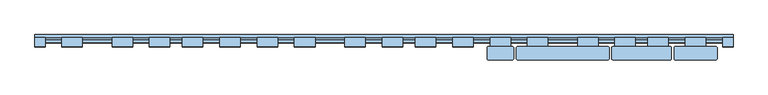
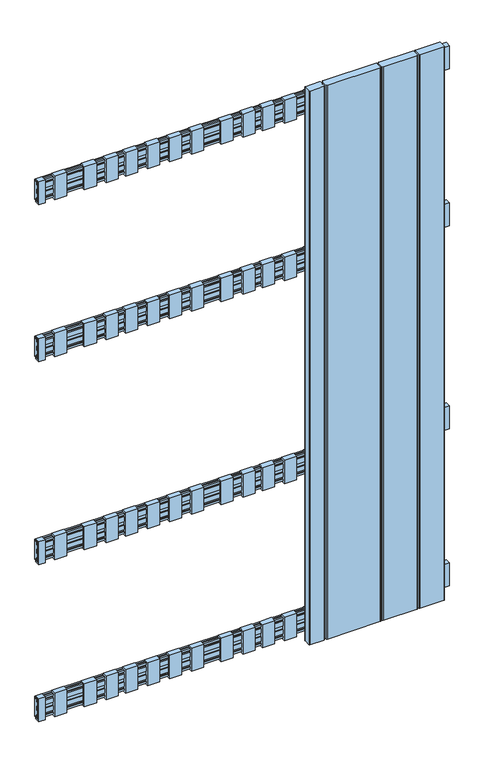
"""IFC4 building model written with IfcOpenShell, lengths in millimetres: window geometry."""

from ifc_helpers import new_model, si_unit, point, frame, frame_2d, origin, place, context, project, spatial, polyline, circle_curve, trimmed, segment, composite_curve, outline, extrude, source, transform, mapped, element, save


def window_74e39e21(model_context):
    return source(origin(), model_context, "Body", "SweptSolid", [
        extrude(outline(polyline([(-24.1, 1152.5936804), (-24.1, 1097.4063196), (-19.9, 1097.4063196), (-19.9, 1101.4063196), (-16.1, 1101.4063196), (-16.1, 1093.5), (-30.0, 1093.5), (-30.0, 1156.5), (-16.1, 1156.5), (-16.1, 1148.5936804), (-19.9, 1148.5936804), (-19.9, 1152.5936804), (-24.1, 1152.5936804)])), frame((454.5, 0.0, 0.0), z_axis=(1.0, 0.0, 0.0), x_axis=(0.0, 1.0, 0.0)), (0.0, 0.0, 1.0), 31.0),
        extrude(outline(polyline([(-24.1, 602.5936804), (-24.1, 547.4063196), (-19.9, 547.4063196), (-19.9, 551.4063196), (-16.1, 551.4063196), (-16.1, 543.5), (-30.0, 543.5), (-30.0, 606.5), (-16.1, 606.5), (-16.1, 598.5936804), (-19.9, 598.5936804), (-19.9, 602.5936804), (-24.1, 602.5936804)])), frame((454.5, 0.0, 0.0), z_axis=(1.0, 0.0, 0.0), x_axis=(0.0, 1.0, 0.0)), (0.0, 0.0, 1.0), 31.0),
        extrude(outline(polyline([(-24.1, 1522.9063196), (-19.9, 1522.9063196), (-19.9, 1526.9063196), (-16.1, 1526.9063196), (-16.1, 1519.0), (-30.0, 1519.0), (-30.0, 1582.0), (-16.1, 1582.0), (-16.1, 1574.0936804), (-19.9, 1574.0936804), (-19.9, 1578.0936804), (-24.1, 1578.0936804), (-24.1, 1522.9063196)])), frame((454.5, 0.0, 0.0), z_axis=(1.0, 0.0, 0.0), x_axis=(0.0, 1.0, 0.0)), (0.0, 0.0, 1.0), 31.0),
        extrude(outline(polyline([(-24.1, 177.0936804), (-24.1, 121.9063196), (-19.9, 121.9063196), (-19.9, 125.9063196), (-16.1, 125.9063196), (-16.1, 118.0), (-30.0, 118.0), (-30.0, 181.0), (-16.1, 181.0), (-16.1, 173.0936804), (-19.9, 173.0936804), (-19.9, 177.0936804), (-24.1, 177.0936804)])), frame((454.5, 0.0, 0.0), z_axis=(1.0, 0.0, 0.0), x_axis=(0.0, 1.0, 0.0)), (0.0, 0.0, 1.0), 31.0),
        extrude(outline(polyline([(-24.1, 1152.5936804), (-24.1, 1097.4063196), (-19.9, 1097.4063196), (-19.9, 1101.4063196), (-16.1, 1101.4063196), (-16.1, 1093.5), (-30.0, 1093.5), (-30.0, 1156.5), (-16.1, 1156.5), (-16.1, 1148.5936804), (-19.9, 1148.5936804), (-19.9, 1152.5936804), (-24.1, 1152.5936804)])), frame((103.5, 0.0, 0.0), z_axis=(1.0, 0.0, 0.0), x_axis=(0.0, 1.0, 0.0)), (0.0, 0.0, 1.0), 31.0),
        extrude(outline(polyline([(-24.1, 602.5936804), (-24.1, 547.4063196), (-19.9, 547.4063196), (-19.9, 551.4063196), (-16.1, 551.4063196), (-16.1, 543.5), (-30.0, 543.5), (-30.0, 606.5), (-16.1, 606.5), (-16.1, 598.5936804), (-19.9, 598.5936804), (-19.9, 602.5936804), (-24.1, 602.5936804)])), frame((103.5, 0.0, 0.0), z_axis=(1.0, 0.0, 0.0), x_axis=(0.0, 1.0, 0.0)), (0.0, 0.0, 1.0), 31.0),
        extrude(outline(polyline([(-24.1, 1522.9063196), (-19.9, 1522.9063196), (-19.9, 1526.9063196), (-16.1, 1526.9063196), (-16.1, 1519.0), (-30.0, 1519.0), (-30.0, 1582.0), (-16.1, 1582.0), (-16.1, 1574.0936804), (-19.9, 1574.0936804), (-19.9, 1578.0936804), (-24.1, 1578.0936804), (-24.1, 1522.9063196)])), frame((103.5, 0.0, 0.0), z_axis=(1.0, 0.0, 0.0), x_axis=(0.0, 1.0, 0.0)), (0.0, 0.0, 1.0), 31.0),
        extrude(outline(polyline([(-24.1, 177.0936804), (-24.1, 121.9063196), (-19.9, 121.9063196), (-19.9, 125.9063196), (-16.1, 125.9063196), (-16.1, 118.0), (-30.0, 118.0), (-30.0, 181.0), (-16.1, 181.0), (-16.1, 173.0936804), (-19.9, 173.0936804), (-19.9, 177.0936804), (-24.1, 177.0936804)])), frame((103.5, 0.0, 0.0), z_axis=(1.0, 0.0, 0.0), x_axis=(0.0, 1.0, 0.0)), (0.0, 0.0, 1.0), 31.0),
        extrude(outline(polyline([(-24.1, 1097.4063196), (-19.9, 1097.4063196), (-19.9, 1101.4063196), (-16.1, 1101.4063196), (-16.1, 1093.5), (-30.0, 1093.5), (-30.0, 1156.5), (-16.1, 1156.5), (-16.1, 1148.5936804), (-19.9, 1148.5936804), (-19.9, 1152.5936804), (-24.1, 1152.5936804), (-24.1, 1097.4063196)])), frame((-247.5, 0.0, 0.0), z_axis=(1.0, 0.0, 0.0), x_axis=(0.0, 1.0, 0.0)), (0.0, 0.0, 1.0), 31.0),
        extrude(outline(polyline([(-24.1, 547.4063196), (-19.9, 547.4063196), (-19.9, 551.4063196), (-16.1, 551.4063196), (-16.1, 543.5), (-30.0, 543.5), (-30.0, 606.5), (-16.1, 606.5), (-16.1, 598.5936804), (-19.9, 598.5936804), (-19.9, 602.5936804), (-24.1, 602.5936804), (-24.1, 547.4063196)])), frame((-247.5, 0.0, 0.0), z_axis=(1.0, 0.0, 0.0), x_axis=(0.0, 1.0, 0.0)), (0.0, 0.0, 1.0), 31.0),
        extrude(outline(polyline([(-24.1, 1522.9063196), (-19.9, 1522.9063196), (-19.9, 1526.9063196), (-16.1, 1526.9063196), (-16.1, 1519.0), (-30.0, 1519.0), (-30.0, 1582.0), (-16.1, 1582.0), (-16.1, 1574.0936804), (-19.9, 1574.0936804), (-19.9, 1578.0936804), (-24.1, 1578.0936804), (-24.1, 1522.9063196)])), frame((-247.5, 0.0, 0.0), z_axis=(1.0, 0.0, 0.0), x_axis=(0.0, 1.0, 0.0)), (0.0, 0.0, 1.0), 31.0),
        extrude(outline(polyline([(-24.1, 177.0936804), (-24.1, 121.9063196), (-19.9, 121.9063196), (-19.9, 125.9063196), (-16.1, 125.9063196), (-16.1, 118.0), (-30.0, 118.0), (-30.0, 181.0), (-16.1, 181.0), (-16.1, 173.0936804), (-19.9, 173.0936804), (-19.9, 177.0936804), (-24.1, 177.0936804)])), frame((-247.5, 0.0, 0.0), z_axis=(1.0, 0.0, 0.0), x_axis=(0.0, 1.0, 0.0)), (0.0, 0.0, 1.0), 31.0),
        extrude(outline(polyline([(-24.1, 1152.5936804), (-24.1, 1097.4063196), (-19.9, 1097.4063196), (-19.9, 1101.4063196), (-16.1, 1101.4063196), (-16.1, 1093.5), (-30.0, 1093.5), (-30.0, 1156.5), (-16.1, 1156.5), (-16.1, 1148.5936804), (-19.9, 1148.5936804), (-19.9, 1152.5936804), (-24.1, 1152.5936804)])), frame((398.0, 0.0, 0.0), z_axis=(1.0, 0.0, 0.0), x_axis=(0.0, 1.0, 0.0)), (0.0, 0.0, 1.0), 31.0),
        extrude(outline(polyline([(-24.1, 602.5936804), (-24.1, 547.4063196), (-19.9, 547.4063196), (-19.9, 551.4063196), (-16.1, 551.4063196), (-16.1, 543.5), (-30.0, 543.5), (-30.0, 606.5), (-16.1, 606.5), (-16.1, 598.5936804), (-19.9, 598.5936804), (-19.9, 602.5936804), (-24.1, 602.5936804)])), frame((398.0, 0.0, 0.0), z_axis=(1.0, 0.0, 0.0), x_axis=(0.0, 1.0, 0.0)), (0.0, 0.0, 1.0), 31.0),
        extrude(outline(polyline([(-24.1, 1522.9063196), (-19.9, 1522.9063196), (-19.9, 1526.9063196), (-16.1, 1526.9063196), (-16.1, 1519.0), (-30.0, 1519.0), (-30.0, 1582.0), (-16.1, 1582.0), (-16.1, 1574.0936804), (-19.9, 1574.0936804), (-19.9, 1578.0936804), (-24.1, 1578.0936804), (-24.1, 1522.9063196)])), frame((398.0, 0.0, 0.0), z_axis=(1.0, 0.0, 0.0), x_axis=(0.0, 1.0, 0.0)), (0.0, 0.0, 1.0), 31.0),
        extrude(outline(polyline([(-24.1, 177.0936804), (-24.1, 121.9063196), (-19.9, 121.9063196), (-19.9, 125.9063196), (-16.1, 125.9063196), (-16.1, 118.0), (-30.0, 118.0), (-30.0, 181.0), (-16.1, 181.0), (-16.1, 173.0936804), (-19.9, 173.0936804), (-19.9, 177.0936804), (-24.1, 177.0936804)])), frame((398.0, 0.0, 0.0), z_axis=(1.0, 0.0, 0.0), x_axis=(0.0, 1.0, 0.0)), (0.0, 0.0, 1.0), 31.0),
        extrude(outline(polyline([(-24.1, 1152.5936804), (-24.1, 1097.4063196), (-19.9, 1097.4063196), (-19.9, 1101.4063196), (-16.1, 1101.4063196), (-16.1, 1093.5), (-30.0, 1093.5), (-30.0, 1156.5), (-16.1, 1156.5), (-16.1, 1148.5936804), (-19.9, 1148.5936804), (-19.9, 1152.5936804), (-24.1, 1152.5936804)])), frame((348.0, 0.0, 0.0), z_axis=(1.0, 0.0, 0.0), x_axis=(0.0, 1.0, 0.0)), (0.0, 0.0, 1.0), 31.0),
        extrude(outline(polyline([(-24.1, 602.5936804), (-24.1, 547.4063196), (-19.9, 547.4063196), (-19.9, 551.4063196), (-16.1, 551.4063196), (-16.1, 543.5), (-30.0, 543.5), (-30.0, 606.5), (-16.1, 606.5), (-16.1, 598.5936804), (-19.9, 598.5936804), (-19.9, 602.5936804), (-24.1, 602.5936804)])), frame((348.0, 0.0, 0.0), z_axis=(1.0, 0.0, 0.0), x_axis=(0.0, 1.0, 0.0)), (0.0, 0.0, 1.0), 31.0),
        extrude(outline(polyline([(-24.1, 1522.9063196), (-19.9, 1522.9063196), (-19.9, 1526.9063196), (-16.1, 1526.9063196), (-16.1, 1519.0), (-30.0, 1519.0), (-30.0, 1582.0), (-16.1, 1582.0), (-16.1, 1574.0936804), (-19.9, 1574.0936804), (-19.9, 1578.0936804), (-24.1, 1578.0936804), (-24.1, 1522.9063196)])), frame((348.0, 0.0, 0.0), z_axis=(1.0, 0.0, 0.0), x_axis=(0.0, 1.0, 0.0)), (0.0, 0.0, 1.0), 31.0),
        extrude(outline(polyline([(-24.1, 177.0936804), (-24.1, 121.9063196), (-19.9, 121.9063196), (-19.9, 125.9063196), (-16.1, 125.9063196), (-16.1, 118.0), (-30.0, 118.0), (-30.0, 181.0), (-16.1, 181.0), (-16.1, 173.0936804), (-19.9, 173.0936804), (-19.9, 177.0936804), (-24.1, 177.0936804)])), frame((348.0, 0.0, 0.0), z_axis=(1.0, 0.0, 0.0), x_axis=(0.0, 1.0, 0.0)), (0.0, 0.0, 1.0), 31.0),
        extrude(outline(polyline([(-24.1, 1152.5936804), (-24.1, 1097.4063196), (-19.9, 1097.4063196), (-19.9, 1101.4063196), (-16.1, 1101.4063196), (-16.1, 1093.5), (-30.0, 1093.5), (-30.0, 1156.5), (-16.1, 1156.5), (-16.1, 1148.5936804), (-19.9, 1148.5936804), (-19.9, 1152.5936804), (-24.1, 1152.5936804)])), frame((292.0, 0.0, 0.0), z_axis=(1.0, 0.0, 0.0), x_axis=(0.0, 1.0, 0.0)), (0.0, 0.0, 1.0), 31.0),
        extrude(outline(polyline([(-24.1, 602.5936804), (-24.1, 547.4063196), (-19.9, 547.4063196), (-19.9, 551.4063196), (-16.1, 551.4063196), (-16.1, 543.5), (-30.0, 543.5), (-30.0, 606.5), (-16.1, 606.5), (-16.1, 598.5936804), (-19.9, 598.5936804), (-19.9, 602.5936804), (-24.1, 602.5936804)])), frame((292.0, 0.0, 0.0), z_axis=(1.0, 0.0, 0.0), x_axis=(0.0, 1.0, 0.0)), (0.0, 0.0, 1.0), 31.0),
        extrude(outline(polyline([(-24.1, 1522.9063196), (-19.9, 1522.9063196), (-19.9, 1526.9063196), (-16.1, 1526.9063196), (-16.1, 1519.0), (-30.0, 1519.0), (-30.0, 1582.0), (-16.1, 1582.0), (-16.1, 1574.0936804), (-19.9, 1574.0936804), (-19.9, 1578.0936804), (-24.1, 1578.0936804), (-24.1, 1522.9063196)])), frame((292.0, 0.0, 0.0), z_axis=(1.0, 0.0, 0.0), x_axis=(0.0, 1.0, 0.0)), (0.0, 0.0, 1.0), 31.0),
        extrude(outline(polyline([(-24.1, 177.0936804), (-24.1, 121.9063196), (-19.9, 121.9063196), (-19.9, 125.9063196), (-16.1, 125.9063196), (-16.1, 118.0), (-30.0, 118.0), (-30.0, 181.0), (-16.1, 181.0), (-16.1, 173.0936804), (-19.9, 173.0936804), (-19.9, 177.0936804), (-24.1, 177.0936804)])), frame((292.0, 0.0, 0.0), z_axis=(1.0, 0.0, 0.0), x_axis=(0.0, 1.0, 0.0)), (0.0, 0.0, 1.0), 31.0),
        extrude(outline(polyline([(-24.1, 1152.5936804), (-24.1, 1097.4063196), (-19.9, 1097.4063196), (-19.9, 1101.4063196), (-16.1, 1101.4063196), (-16.1, 1093.5), (-30.0, 1093.5), (-30.0, 1156.5), (-16.1, 1156.5), (-16.1, 1148.5936804), (-19.9, 1148.5936804), (-19.9, 1152.5936804), (-24.1, 1152.5936804)])), frame((47.0, 0.0, 0.0), z_axis=(1.0, 0.0, 0.0), x_axis=(0.0, 1.0, 0.0)), (0.0, 0.0, 1.0), 31.0),
        extrude(outline(polyline([(-24.1, 602.5936804), (-24.1, 547.4063196), (-19.9, 547.4063196), (-19.9, 551.4063196), (-16.1, 551.4063196), (-16.1, 543.5), (-30.0, 543.5), (-30.0, 606.5), (-16.1, 606.5), (-16.1, 598.5936804), (-19.9, 598.5936804), (-19.9, 602.5936804), (-24.1, 602.5936804)])), frame((47.0, 0.0, 0.0), z_axis=(1.0, 0.0, 0.0), x_axis=(0.0, 1.0, 0.0)), (0.0, 0.0, 1.0), 31.0),
        extrude(outline(polyline([(-24.1, 1522.9063196), (-19.9, 1522.9063196), (-19.9, 1526.9063196), (-16.1, 1526.9063196), (-16.1, 1519.0), (-30.0, 1519.0), (-30.0, 1582.0), (-16.1, 1582.0), (-16.1, 1574.0936804), (-19.9, 1574.0936804), (-19.9, 1578.0936804), (-24.1, 1578.0936804), (-24.1, 1522.9063196)])), frame((47.0, 0.0, 0.0), z_axis=(1.0, 0.0, 0.0), x_axis=(0.0, 1.0, 0.0)), (0.0, 0.0, 1.0), 31.0),
        extrude(outline(polyline([(-24.1, 177.0936804), (-24.1, 121.9063196), (-19.9, 121.9063196), (-19.9, 125.9063196), (-16.1, 125.9063196), (-16.1, 118.0), (-30.0, 118.0), (-30.0, 181.0), (-16.1, 181.0), (-16.1, 173.0936804), (-19.9, 173.0936804), (-19.9, 177.0936804), (-24.1, 177.0936804)])), frame((47.0, 0.0, 0.0), z_axis=(1.0, 0.0, 0.0), x_axis=(0.0, 1.0, 0.0)), (0.0, 0.0, 1.0), 31.0),
        extrude(outline(polyline([(-24.1, 1152.5936804), (-24.1, 1097.4063196), (-19.9, 1097.4063196), (-19.9, 1101.4063196), (-16.1, 1101.4063196), (-16.1, 1093.5), (-30.0, 1093.5), (-30.0, 1156.5), (-16.1, 1156.5), (-16.1, 1148.5936804), (-19.9, 1148.5936804), (-19.9, 1152.5936804), (-24.1, 1152.5936804)])), frame((-3.0, 0.0, 0.0), z_axis=(1.0, 0.0, 0.0), x_axis=(0.0, 1.0, 0.0)), (0.0, 0.0, 1.0), 31.0),
        extrude(outline(polyline([(-24.1, 602.5936804), (-24.1, 547.4063196), (-19.9, 547.4063196), (-19.9, 551.4063196), (-16.1, 551.4063196), (-16.1, 543.5), (-30.0, 543.5), (-30.0, 606.5), (-16.1, 606.5), (-16.1, 598.5936804), (-19.9, 598.5936804), (-19.9, 602.5936804), (-24.1, 602.5936804)])), frame((-3.0, 0.0, 0.0), z_axis=(1.0, 0.0, 0.0), x_axis=(0.0, 1.0, 0.0)), (0.0, 0.0, 1.0), 31.0),
        extrude(outline(polyline([(-24.1, 1522.9063196), (-19.9, 1522.9063196), (-19.9, 1526.9063196), (-16.1, 1526.9063196), (-16.1, 1519.0), (-30.0, 1519.0), (-30.0, 1582.0), (-16.1, 1582.0), (-16.1, 1574.0936804), (-19.9, 1574.0936804), (-19.9, 1578.0936804), (-24.1, 1578.0936804), (-24.1, 1522.9063196)])), frame((-3.0, 0.0, 0.0), z_axis=(1.0, 0.0, 0.0), x_axis=(0.0, 1.0, 0.0)), (0.0, 0.0, 1.0), 31.0),
        extrude(outline(polyline([(-24.1, 177.0936804), (-24.1, 121.9063196), (-19.9, 121.9063196), (-19.9, 125.9063196), (-16.1, 125.9063196), (-16.1, 118.0), (-30.0, 118.0), (-30.0, 181.0), (-16.1, 181.0), (-16.1, 173.0936804), (-19.9, 173.0936804), (-19.9, 177.0936804), (-24.1, 177.0936804)])), frame((-3.0, 0.0, 0.0), z_axis=(1.0, 0.0, 0.0), x_axis=(0.0, 1.0, 0.0)), (0.0, 0.0, 1.0), 31.0),
        extrude(outline(polyline([(-24.1, 1152.5936804), (-24.1, 1097.4063196), (-19.9, 1097.4063196), (-19.9, 1101.4063196), (-16.1, 1101.4063196), (-16.1, 1093.5), (-30.0, 1093.5), (-30.0, 1156.5), (-16.1, 1156.5), (-16.1, 1148.5936804), (-19.9, 1148.5936804), (-19.9, 1152.5936804), (-24.1, 1152.5936804)])), frame((-59.0, 0.0, 0.0), z_axis=(1.0, 0.0, 0.0), x_axis=(0.0, 1.0, 0.0)), (0.0, 0.0, 1.0), 31.0),
        extrude(outline(polyline([(-24.1, 602.5936804), (-24.1, 547.4063196), (-19.9, 547.4063196), (-19.9, 551.4063196), (-16.1, 551.4063196), (-16.1, 543.5), (-30.0, 543.5), (-30.0, 606.5), (-16.1, 606.5), (-16.1, 598.5936804), (-19.9, 598.5936804), (-19.9, 602.5936804), (-24.1, 602.5936804)])), frame((-59.0, 0.0, 0.0), z_axis=(1.0, 0.0, 0.0), x_axis=(0.0, 1.0, 0.0)), (0.0, 0.0, 1.0), 31.0),
        extrude(outline(polyline([(-24.1, 1522.9063196), (-19.9, 1522.9063196), (-19.9, 1526.9063196), (-16.1, 1526.9063196), (-16.1, 1519.0), (-30.0, 1519.0), (-30.0, 1582.0), (-16.1, 1582.0), (-16.1, 1574.0936804), (-19.9, 1574.0936804), (-19.9, 1578.0936804), (-24.1, 1578.0936804), (-24.1, 1522.9063196)])), frame((-59.0, 0.0, 0.0), z_axis=(1.0, 0.0, 0.0), x_axis=(0.0, 1.0, 0.0)), (0.0, 0.0, 1.0), 31.0),
        extrude(outline(polyline([(-24.1, 177.0936804), (-24.1, 121.9063196), (-19.9, 121.9063196), (-19.9, 125.9063196), (-16.1, 125.9063196), (-16.1, 118.0), (-30.0, 118.0), (-30.0, 181.0), (-16.1, 181.0), (-16.1, 173.0936804), (-19.9, 173.0936804), (-19.9, 177.0936804), (-24.1, 177.0936804)])), frame((-59.0, 0.0, 0.0), z_axis=(1.0, 0.0, 0.0), x_axis=(0.0, 1.0, 0.0)), (0.0, 0.0, 1.0), 31.0),
        extrude(outline(polyline([(-24.1, 1097.4063196), (-19.9, 1097.4063196), (-19.9, 1101.4063196), (-16.1, 1101.4063196), (-16.1, 1093.5), (-30.0, 1093.5), (-30.0, 1156.5), (-16.1, 1156.5), (-16.1, 1148.5936804), (-19.9, 1148.5936804), (-19.9, 1152.5936804), (-24.1, 1152.5936804), (-24.1, 1097.4063196)])), frame((-304.0, 0.0, 0.0), z_axis=(1.0, 0.0, 0.0), x_axis=(0.0, 1.0, 0.0)), (0.0, 0.0, 1.0), 31.0),
        extrude(outline(polyline([(-24.1, 547.4063196), (-19.9, 547.4063196), (-19.9, 551.4063196), (-16.1, 551.4063196), (-16.1, 543.5), (-30.0, 543.5), (-30.0, 606.5), (-16.1, 606.5), (-16.1, 598.5936804), (-19.9, 598.5936804), (-19.9, 602.5936804), (-24.1, 602.5936804), (-24.1, 547.4063196)])), frame((-304.0, 0.0, 0.0), z_axis=(1.0, 0.0, 0.0), x_axis=(0.0, 1.0, 0.0)), (0.0, 0.0, 1.0), 31.0),
        extrude(outline(polyline([(-24.1, 1522.9063196), (-19.9, 1522.9063196), (-19.9, 1526.9063196), (-16.1, 1526.9063196), (-16.1, 1519.0), (-30.0, 1519.0), (-30.0, 1582.0), (-16.1, 1582.0), (-16.1, 1574.0936804), (-19.9, 1574.0936804), (-19.9, 1578.0936804), (-24.1, 1578.0936804), (-24.1, 1522.9063196)])), frame((-304.0, 0.0, 0.0), z_axis=(1.0, 0.0, 0.0), x_axis=(0.0, 1.0, 0.0)), (0.0, 0.0, 1.0), 31.0),
        extrude(outline(polyline([(-24.1, 177.0936804), (-24.1, 121.9063196), (-19.9, 121.9063196), (-19.9, 125.9063196), (-16.1, 125.9063196), (-16.1, 118.0), (-30.0, 118.0), (-30.0, 181.0), (-16.1, 181.0), (-16.1, 173.0936804), (-19.9, 173.0936804), (-19.9, 177.0936804), (-24.1, 177.0936804)])), frame((-304.0, 0.0, 0.0), z_axis=(1.0, 0.0, 0.0), x_axis=(0.0, 1.0, 0.0)), (0.0, 0.0, 1.0), 31.0),
        extrude(outline(polyline([(-24.1, 1097.4063196), (-19.9, 1097.4063196), (-19.9, 1101.4063196), (-16.1, 1101.4063196), (-16.1, 1093.5), (-30.0, 1093.5), (-30.0, 1156.5), (-16.1, 1156.5), (-16.1, 1148.5936804), (-19.9, 1148.5936804), (-19.9, 1152.5936804), (-24.1, 1152.5936804), (-24.1, 1097.4063196)])), frame((-354.0, 0.0, 0.0), z_axis=(1.0, 0.0, 0.0), x_axis=(0.0, 1.0, 0.0)), (0.0, 0.0, 1.0), 31.0),
        extrude(outline(polyline([(-24.1, 547.4063196), (-19.9, 547.4063196), (-19.9, 551.4063196), (-16.1, 551.4063196), (-16.1, 543.5), (-30.0, 543.5), (-30.0, 606.5), (-16.1, 606.5), (-16.1, 598.5936804), (-19.9, 598.5936804), (-19.9, 602.5936804), (-24.1, 602.5936804), (-24.1, 547.4063196)])), frame((-354.0, 0.0, 0.0), z_axis=(1.0, 0.0, 0.0), x_axis=(0.0, 1.0, 0.0)), (0.0, 0.0, 1.0), 31.0),
        extrude(outline(polyline([(-24.1, 1522.9063196), (-19.9, 1522.9063196), (-19.9, 1526.9063196), (-16.1, 1526.9063196), (-16.1, 1519.0), (-30.0, 1519.0), (-30.0, 1582.0), (-16.1, 1582.0), (-16.1, 1574.0936804), (-19.9, 1574.0936804), (-19.9, 1578.0936804), (-24.1, 1578.0936804), (-24.1, 1522.9063196)])), frame((-354.0, 0.0, 0.0), z_axis=(1.0, 0.0, 0.0), x_axis=(0.0, 1.0, 0.0)), (0.0, 0.0, 1.0), 31.0),
        extrude(outline(polyline([(-24.1, 177.0936804), (-24.1, 121.9063196), (-19.9, 121.9063196), (-19.9, 125.9063196), (-16.1, 125.9063196), (-16.1, 118.0), (-30.0, 118.0), (-30.0, 181.0), (-16.1, 181.0), (-16.1, 173.0936804), (-19.9, 173.0936804), (-19.9, 177.0936804), (-24.1, 177.0936804)])), frame((-354.0, 0.0, 0.0), z_axis=(1.0, 0.0, 0.0), x_axis=(0.0, 1.0, 0.0)), (0.0, 0.0, 1.0), 31.0),
        extrude(outline(polyline([(-24.1, 1097.4063196), (-19.9, 1097.4063196), (-19.9, 1101.4063196), (-16.1, 1101.4063196), (-16.1, 1093.5), (-30.0, 1093.5), (-30.0, 1156.5), (-16.1, 1156.5), (-16.1, 1148.5936804), (-19.9, 1148.5936804), (-19.9, 1152.5936804), (-24.1, 1152.5936804), (-24.1, 1097.4063196)])), frame((-410.0, 0.0, 0.0), z_axis=(1.0, 0.0, 0.0), x_axis=(0.0, 1.0, 0.0)), (0.0, 0.0, 1.0), 31.0),
        extrude(outline(polyline([(-24.1, 547.4063196), (-19.9, 547.4063196), (-19.9, 551.4063196), (-16.1, 551.4063196), (-16.1, 543.5), (-30.0, 543.5), (-30.0, 606.5), (-16.1, 606.5), (-16.1, 598.5936804), (-19.9, 598.5936804), (-19.9, 602.5936804), (-24.1, 602.5936804), (-24.1, 547.4063196)])), frame((-410.0, 0.0, 0.0), z_axis=(1.0, 0.0, 0.0), x_axis=(0.0, 1.0, 0.0)), (0.0, 0.0, 1.0), 31.0),
        extrude(outline(polyline([(-24.1, 1522.9063196), (-19.9, 1522.9063196), (-19.9, 1526.9063196), (-16.1, 1526.9063196), (-16.1, 1519.0), (-30.0, 1519.0), (-30.0, 1582.0), (-16.1, 1582.0), (-16.1, 1574.0936804), (-19.9, 1574.0936804), (-19.9, 1578.0936804), (-24.1, 1578.0936804), (-24.1, 1522.9063196)])), frame((-410.0, 0.0, 0.0), z_axis=(1.0, 0.0, 0.0), x_axis=(0.0, 1.0, 0.0)), (0.0, 0.0, 1.0), 31.0),
        extrude(outline(polyline([(-24.1, 177.0936804), (-24.1, 121.9063196), (-19.9, 121.9063196), (-19.9, 125.9063196), (-16.1, 125.9063196), (-16.1, 118.0), (-30.0, 118.0), (-30.0, 181.0), (-16.1, 181.0), (-16.1, 173.0936804), (-19.9, 173.0936804), (-19.9, 177.0936804), (-24.1, 177.0936804)])), frame((-410.0, 0.0, 0.0), z_axis=(1.0, 0.0, 0.0), x_axis=(0.0, 1.0, 0.0)), (0.0, 0.0, 1.0), 31.0),
        extrude(outline(polyline([(-24.1, 1097.4063196), (-19.9, 1097.4063196), (-19.9, 1101.4063196), (-16.1, 1101.4063196), (-16.1, 1093.5), (-30.0, 1093.5), (-30.0, 1156.5), (-16.1, 1156.5), (-16.1, 1148.5936804), (-19.9, 1148.5936804), (-19.9, 1152.5936804), (-24.1, 1152.5936804), (-24.1, 1097.4063196)])), frame((-486.0, 0.0, 0.0), z_axis=(1.0, 0.0, 0.0), x_axis=(0.0, 1.0, 0.0)), (0.0, 0.0, 1.0), 31.0),
        extrude(outline(polyline([(-24.1, 547.4063196), (-19.9, 547.4063196), (-19.9, 551.4063196), (-16.1, 551.4063196), (-16.1, 543.5), (-30.0, 543.5), (-30.0, 606.5), (-16.1, 606.5), (-16.1, 598.5936804), (-19.9, 598.5936804), (-19.9, 602.5936804), (-24.1, 602.5936804), (-24.1, 547.4063196)])), frame((-486.0, 0.0, 0.0), z_axis=(1.0, 0.0, 0.0), x_axis=(0.0, 1.0, 0.0)), (0.0, 0.0, 1.0), 31.0),
        extrude(outline(polyline([(-24.1, 1522.9063196), (-19.9, 1522.9063196), (-19.9, 1526.9063196), (-16.1, 1526.9063196), (-16.1, 1519.0), (-30.0, 1519.0), (-30.0, 1582.0), (-16.1, 1582.0), (-16.1, 1574.0936804), (-19.9, 1574.0936804), (-19.9, 1578.0936804), (-24.1, 1578.0936804), (-24.1, 1522.9063196)])), frame((-486.0, 0.0, 0.0), z_axis=(1.0, 0.0, 0.0), x_axis=(0.0, 1.0, 0.0)), (0.0, 0.0, 1.0), 31.0),
        extrude(outline(polyline([(-24.1, 177.0936804), (-24.1, 121.9063196), (-19.9, 121.9063196), (-19.9, 125.9063196), (-16.1, 125.9063196), (-16.1, 118.0), (-30.0, 118.0), (-30.0, 181.0), (-16.1, 181.0), (-16.1, 173.0936804), (-19.9, 173.0936804), (-19.9, 177.0936804), (-24.1, 177.0936804)])), frame((-486.0, 0.0, 0.0), z_axis=(1.0, 0.0, 0.0), x_axis=(0.0, 1.0, 0.0)), (0.0, 0.0, 1.0), 31.0),
        extrude(outline(polyline([(-24.1, 1152.5936804), (-24.1, 1097.4063196), (-19.9, 1097.4063196), (-19.9, 1101.4063196), (-16.1, 1101.4063196), (-16.1, 1093.5), (-30.0, 1093.5), (-30.0, 1156.5), (-16.1, 1156.5), (-16.1, 1148.5936804), (-19.9, 1148.5936804), (-19.9, 1152.5936804), (-24.1, 1152.5936804)])), frame((160.0, 0.0, 0.0), z_axis=(1.0, 0.0, 0.0), x_axis=(0.0, 1.0, 0.0)), (0.0, 0.0, 1.0), 31.0),
        extrude(outline(polyline([(-24.1, 602.5936804), (-24.1, 547.4063196), (-19.9, 547.4063196), (-19.9, 551.4063196), (-16.1, 551.4063196), (-16.1, 543.5), (-30.0, 543.5), (-30.0, 606.5), (-16.1, 606.5), (-16.1, 598.5936804), (-19.9, 598.5936804), (-19.9, 602.5936804), (-24.1, 602.5936804)])), frame((160.0, 0.0, 0.0), z_axis=(1.0, 0.0, 0.0), x_axis=(0.0, 1.0, 0.0)), (0.0, 0.0, 1.0), 31.0),
        extrude(outline(polyline([(-24.1, 1522.9063196), (-19.9, 1522.9063196), (-19.9, 1526.9063196), (-16.1, 1526.9063196), (-16.1, 1519.0), (-30.0, 1519.0), (-30.0, 1582.0), (-16.1, 1582.0), (-16.1, 1574.0936804), (-19.9, 1574.0936804), (-19.9, 1578.0936804), (-24.1, 1578.0936804), (-24.1, 1522.9063196)])), frame((160.0, 0.0, 0.0), z_axis=(1.0, 0.0, 0.0), x_axis=(0.0, 1.0, 0.0)), (0.0, 0.0, 1.0), 31.0),
        extrude(outline(polyline([(-24.1, 177.0936804), (-24.1, 121.9063196), (-19.9, 121.9063196), (-19.9, 125.9063196), (-16.1, 125.9063196), (-16.1, 118.0), (-30.0, 118.0), (-30.0, 181.0), (-16.1, 181.0), (-16.1, 173.0936804), (-19.9, 173.0936804), (-19.9, 177.0936804), (-24.1, 177.0936804)])), frame((160.0, 0.0, 0.0), z_axis=(1.0, 0.0, 0.0), x_axis=(0.0, 1.0, 0.0)), (0.0, 0.0, 1.0), 31.0),
        extrude(outline(polyline([(-24.1, 1152.5936804), (-24.1, 1097.4063196), (-19.9, 1097.4063196), (-19.9, 1101.4063196), (-16.1, 1101.4063196), (-16.1, 1093.5), (-30.0, 1093.5), (-30.0, 1156.5), (-16.1, 1156.5), (-16.1, 1148.5936804), (-19.9, 1148.5936804), (-19.9, 1152.5936804), (-24.1, 1152.5936804)])), frame((-191.0, 0.0, 0.0), z_axis=(1.0, 0.0, 0.0), x_axis=(0.0, 1.0, 0.0)), (0.0, 0.0, 1.0), 31.0),
        extrude(outline(polyline([(-24.1, 602.5936804), (-24.1, 547.4063196), (-19.9, 547.4063196), (-19.9, 551.4063196), (-16.1, 551.4063196), (-16.1, 543.5), (-30.0, 543.5), (-30.0, 606.5), (-16.1, 606.5), (-16.1, 598.5936804), (-19.9, 598.5936804), (-19.9, 602.5936804), (-24.1, 602.5936804)])), frame((-191.0, 0.0, 0.0), z_axis=(1.0, 0.0, 0.0), x_axis=(0.0, 1.0, 0.0)), (0.0, 0.0, 1.0), 31.0),
        extrude(outline(polyline([(-24.1, 1522.9063196), (-19.9, 1522.9063196), (-19.9, 1526.9063196), (-16.1, 1526.9063196), (-16.1, 1519.0), (-30.0, 1519.0), (-30.0, 1582.0), (-16.1, 1582.0), (-16.1, 1574.0936804), (-19.9, 1574.0936804), (-19.9, 1578.0936804), (-24.1, 1578.0936804), (-24.1, 1522.9063196)])), frame((-191.0, 0.0, 0.0), z_axis=(1.0, 0.0, 0.0), x_axis=(0.0, 1.0, 0.0)), (0.0, 0.0, 1.0), 31.0),
        extrude(outline(polyline([(-24.1, 177.0936804), (-24.1, 121.9063196), (-19.9, 121.9063196), (-19.9, 125.9063196), (-16.1, 125.9063196), (-16.1, 118.0), (-30.0, 118.0), (-30.0, 181.0), (-16.1, 181.0), (-16.1, 173.0936804), (-19.9, 173.0936804), (-19.9, 177.0936804), (-24.1, 177.0936804)])), frame((-191.0, 0.0, 0.0), z_axis=(1.0, 0.0, 0.0), x_axis=(0.0, 1.0, 0.0)), (0.0, 0.0, 1.0), 31.0),
        extrude(outline(polyline([(-24.1, 1152.5936804), (-24.1, 1097.4063196), (-19.9, 1097.4063196), (-19.9, 1101.4063196), (-16.1, 1101.4063196), (-16.1, 1093.5), (-30.0, 1093.5), (-30.0, 1156.5), (-16.1, 1156.5), (-16.1, 1148.5936804), (-19.9, 1148.5936804), (-19.9, 1152.5936804), (-24.1, 1152.5936804)])), frame((216.0, 0.0, 0.0), z_axis=(1.0, 0.0, 0.0), x_axis=(0.0, 1.0, 0.0)), (0.0, 0.0, 1.0), 31.0),
        extrude(outline(polyline([(-24.1, 602.5936804), (-24.1, 547.4063196), (-19.9, 547.4063196), (-19.9, 551.4063196), (-16.1, 551.4063196), (-16.1, 543.5), (-30.0, 543.5), (-30.0, 606.5), (-16.1, 606.5), (-16.1, 598.5936804), (-19.9, 598.5936804), (-19.9, 602.5936804), (-24.1, 602.5936804)])), frame((216.0, 0.0, 0.0), z_axis=(1.0, 0.0, 0.0), x_axis=(0.0, 1.0, 0.0)), (0.0, 0.0, 1.0), 31.0),
        extrude(outline(polyline([(-24.1, 1522.9063196), (-19.9, 1522.9063196), (-19.9, 1526.9063196), (-16.1, 1526.9063196), (-16.1, 1519.0), (-30.0, 1519.0), (-30.0, 1582.0), (-16.1, 1582.0), (-16.1, 1574.0936804), (-19.9, 1574.0936804), (-19.9, 1578.0936804), (-24.1, 1578.0936804), (-24.1, 1522.9063196)])), frame((216.0, 0.0, 0.0), z_axis=(1.0, 0.0, 0.0), x_axis=(0.0, 1.0, 0.0)), (0.0, 0.0, 1.0), 31.0),
        extrude(outline(polyline([(-24.1, 177.0936804), (-24.1, 121.9063196), (-19.9, 121.9063196), (-19.9, 125.9063196), (-16.1, 125.9063196), (-16.1, 118.0), (-30.0, 118.0), (-30.0, 181.0), (-16.1, 181.0), (-16.1, 173.0936804), (-19.9, 173.0936804), (-19.9, 177.0936804), (-24.1, 177.0936804)])), frame((216.0, 0.0, 0.0), z_axis=(1.0, 0.0, 0.0), x_axis=(0.0, 1.0, 0.0)), (0.0, 0.0, 1.0), 31.0),
        extrude(outline(polyline([(-24.1, 1152.5936804), (-24.1, 1097.4063196), (-19.9, 1097.4063196), (-19.9, 1101.4063196), (-16.1, 1101.4063196), (-16.1, 1093.5), (-30.0, 1093.5), (-30.0, 1156.5), (-16.1, 1156.5), (-16.1, 1148.5936804), (-19.9, 1148.5936804), (-19.9, 1152.5936804), (-24.1, 1152.5936804)])), frame((-135.0, 0.0, 0.0), z_axis=(1.0, 0.0, 0.0), x_axis=(0.0, 1.0, 0.0)), (0.0, 0.0, 1.0), 31.0),
        extrude(outline(polyline([(-24.1, 602.5936804), (-24.1, 547.4063196), (-19.9, 547.4063196), (-19.9, 551.4063196), (-16.1, 551.4063196), (-16.1, 543.5), (-30.0, 543.5), (-30.0, 606.5), (-16.1, 606.5), (-16.1, 598.5936804), (-19.9, 598.5936804), (-19.9, 602.5936804), (-24.1, 602.5936804)])), frame((-135.0, 0.0, 0.0), z_axis=(1.0, 0.0, 0.0), x_axis=(0.0, 1.0, 0.0)), (0.0, 0.0, 1.0), 31.0),
        extrude(outline(polyline([(-24.1, 1522.9063196), (-19.9, 1522.9063196), (-19.9, 1526.9063196), (-16.1, 1526.9063196), (-16.1, 1519.0), (-30.0, 1519.0), (-30.0, 1582.0), (-16.1, 1582.0), (-16.1, 1574.0936804), (-19.9, 1574.0936804), (-19.9, 1578.0936804), (-24.1, 1578.0936804), (-24.1, 1522.9063196)])), frame((-135.0, 0.0, 0.0), z_axis=(1.0, 0.0, 0.0), x_axis=(0.0, 1.0, 0.0)), (0.0, 0.0, 1.0), 31.0),
        extrude(outline(polyline([(-24.1, 177.0936804), (-24.1, 121.9063196), (-19.9, 121.9063196), (-19.9, 125.9063196), (-16.1, 125.9063196), (-16.1, 118.0), (-30.0, 118.0), (-30.0, 181.0), (-16.1, 181.0), (-16.1, 173.0936804), (-19.9, 173.0936804), (-19.9, 177.0936804), (-24.1, 177.0936804)])), frame((-135.0, 0.0, 0.0), z_axis=(1.0, 0.0, 0.0), x_axis=(0.0, 1.0, 0.0)), (0.0, 0.0, 1.0), 31.0),
        extrude(outline(polyline([(-24.1, 1097.4063196), (-19.9, 1097.4063196), (-19.9, 1101.4063196), (-16.1, 1101.4063196), (-16.1, 1093.5), (-30.0, 1093.5), (-30.0, 1156.5), (-16.1, 1156.5), (-16.1, 1148.5936804), (-19.9, 1148.5936804), (-19.9, 1152.5936804), (-24.1, 1152.5936804), (-24.1, 1097.4063196)])), frame((511.0, 0.0, 0.0), z_axis=(1.0, 0.0, 0.0), x_axis=(0.0, 1.0, 0.0)), (0.0, 0.0, 1.0), 15.5),
        extrude(outline(polyline([(-24.1, 547.4063196), (-19.9, 547.4063196), (-19.9, 551.4063196), (-16.1, 551.4063196), (-16.1, 543.5), (-30.0, 543.5), (-30.0, 606.5), (-16.1, 606.5), (-16.1, 598.5936804), (-19.9, 598.5936804), (-19.9, 602.5936804), (-24.1, 602.5936804), (-24.1, 547.4063196)])), frame((511.0, 0.0, 0.0), z_axis=(1.0, 0.0, 0.0), x_axis=(0.0, 1.0, 0.0)), (0.0, 0.0, 1.0), 15.5),
        extrude(outline(polyline([(-24.1, 1522.9063196), (-19.9, 1522.9063196), (-19.9, 1526.9063196), (-16.1, 1526.9063196), (-16.1, 1519.0), (-30.0, 1519.0), (-30.0, 1582.0), (-16.1, 1582.0), (-16.1, 1574.0936804), (-19.9, 1574.0936804), (-19.9, 1578.0936804), (-24.1, 1578.0936804), (-24.1, 1522.9063196)])), frame((511.0, 0.0, 0.0), z_axis=(1.0, 0.0, 0.0), x_axis=(0.0, 1.0, 0.0)), (0.0, 0.0, 1.0), 15.5),
        extrude(outline(polyline([(-24.1, 177.0936804), (-24.1, 121.9063196), (-19.9, 121.9063196), (-19.9, 125.9063196), (-16.1, 125.9063196), (-16.1, 118.0), (-30.0, 118.0), (-30.0, 181.0), (-16.1, 181.0), (-16.1, 173.0936804), (-19.9, 173.0936804), (-19.9, 177.0936804), (-24.1, 177.0936804)])), frame((511.0, 0.0, 0.0), z_axis=(1.0, 0.0, 0.0), x_axis=(0.0, 1.0, 0.0)), (0.0, 0.0, 1.0), 15.5),
        extrude(outline(polyline([(-24.1, 1097.4063196), (-19.9, 1097.4063196), (-19.9, 1101.4063196), (-16.1, 1101.4063196), (-16.1, 1093.5), (-30.0, 1093.5), (-30.0, 1156.5), (-16.1, 1156.5), (-16.1, 1148.5936804), (-19.9, 1148.5936804), (-19.9, 1152.5936804), (-24.1, 1152.5936804), (-24.1, 1097.4063196)])), frame((-526.5, 0.0, 0.0), z_axis=(1.0, 0.0, 0.0), x_axis=(0.0, 1.0, 0.0)), (0.0, 0.0, 1.0), 15.5),
        extrude(outline(polyline([(-24.1, 547.4063196), (-19.9, 547.4063196), (-19.9, 551.4063196), (-16.1, 551.4063196), (-16.1, 543.5), (-30.0, 543.5), (-30.0, 606.5), (-16.1, 606.5), (-16.1, 598.5936804), (-19.9, 598.5936804), (-19.9, 602.5936804), (-24.1, 602.5936804), (-24.1, 547.4063196)])), frame((-526.5, 0.0, 0.0), z_axis=(1.0, 0.0, 0.0), x_axis=(0.0, 1.0, 0.0)), (0.0, 0.0, 1.0), 15.5),
        extrude(outline(polyline([(-24.1, 1522.9063196), (-19.9, 1522.9063196), (-19.9, 1526.9063196), (-16.1, 1526.9063196), (-16.1, 1519.0), (-30.0, 1519.0), (-30.0, 1582.0), (-16.1, 1582.0), (-16.1, 1574.0936804), (-19.9, 1574.0936804), (-19.9, 1578.0936804), (-24.1, 1578.0936804), (-24.1, 1522.9063196)])), frame((-526.5, 0.0, 0.0), z_axis=(1.0, 0.0, 0.0), x_axis=(0.0, 1.0, 0.0)), (0.0, 0.0, 1.0), 15.5),
        extrude(outline(polyline([(-24.1, 177.0936804), (-24.1, 121.9063196), (-19.9, 121.9063196), (-19.9, 125.9063196), (-16.1, 125.9063196), (-16.1, 118.0), (-30.0, 118.0), (-30.0, 181.0), (-16.1, 181.0), (-16.1, 173.0936804), (-19.9, 173.0936804), (-19.9, 177.0936804), (-24.1, 177.0936804)])), frame((-526.5, 0.0, 0.0), z_axis=(1.0, 0.0, 0.0), x_axis=(0.0, 1.0, 0.0)), (0.0, 0.0, 1.0), 15.5),
        extrude(outline(polyline([(-12.0, 1152.5063196), (-12.0, 1097.5063196), (-16.0, 1097.5063196), (-16.0, 1101.5063196), (-20.0, 1101.5063196), (-20.0, 1097.5063196), (-24.0, 1097.5063196), (-24.0, 1102.5063196), (-21.0, 1102.5063196), (-21.0, 1107.5063196), (-24.0, 1107.5063196), (-24.0, 1120.0063196), (-21.0, 1120.0063196), (-21.0, 1130.0063196), (-24.0, 1130.0063196), (-24.0, 1142.5063196), (-21.0, 1142.5063196), (-21.0, 1147.5063196), (-24.0, 1147.5063196), (-24.0, 1152.5063196), (-20.0, 1152.5063196), (-20.0, 1148.5063196), (-16.0, 1148.5063196), (-16.0, 1152.5063196), (-12.0, 1152.5063196)])), frame((-526.5, 0.0, 0.0), z_axis=(1.0, 0.0, 0.0), x_axis=(0.0, 1.0, 0.0)), (0.0, 0.0, 1.0), 1053.0),
        extrude(outline(polyline([(-12.0, 602.5063196), (-12.0, 547.5063196), (-16.0, 547.5063196), (-16.0, 551.5063196), (-20.0, 551.5063196), (-20.0, 547.5063196), (-24.0, 547.5063196), (-24.0, 552.5063196), (-21.0, 552.5063196), (-21.0, 557.5063196), (-24.0, 557.5063196), (-24.0, 570.0063196), (-21.0, 570.0063196), (-21.0, 580.0063196), (-24.0, 580.0063196), (-24.0, 592.5063196), (-21.0, 592.5063196), (-21.0, 597.5063196), (-24.0, 597.5063196), (-24.0, 602.5063196), (-20.0, 602.5063196), (-20.0, 598.5063196), (-16.0, 598.5063196), (-16.0, 602.5063196), (-12.0, 602.5063196)])), frame((-526.5, 0.0, 0.0), z_axis=(1.0, 0.0, 0.0), x_axis=(0.0, 1.0, 0.0)), (0.0, 0.0, 1.0), 1053.0),
        extrude(outline(polyline([(-12.0, 1578.0), (-12.0, 1523.0), (-16.0, 1523.0), (-16.0, 1527.0), (-20.0, 1527.0), (-20.0, 1523.0), (-24.0, 1523.0), (-24.0, 1528.0), (-21.0, 1528.0), (-21.0, 1533.0), (-24.0, 1533.0), (-24.0, 1545.5), (-21.0, 1545.5), (-21.0, 1555.5), (-24.0, 1555.5), (-24.0, 1568.0), (-21.0, 1568.0), (-21.0, 1573.0), (-24.0, 1573.0), (-24.0, 1578.0), (-20.0, 1578.0), (-20.0, 1574.0), (-16.0, 1574.0), (-16.0, 1578.0), (-12.0, 1578.0)])), frame((-526.5, 0.0, 0.0), z_axis=(1.0, 0.0, 0.0), x_axis=(0.0, 1.0, 0.0)), (0.0, 0.0, 1.0), 1053.0),
        extrude(outline(polyline([(-12.0, 177.0), (-12.0, 122.0), (-16.0, 122.0), (-16.0, 126.0), (-20.0, 126.0), (-20.0, 122.0), (-24.0, 122.0), (-24.0, 127.0), (-21.0, 127.0), (-21.0, 132.0), (-24.0, 132.0), (-24.0, 144.5), (-21.0, 144.5), (-21.0, 154.5), (-24.0, 154.5), (-24.0, 167.0), (-21.0, 167.0), (-21.0, 172.0), (-24.0, 172.0), (-24.0, 177.0), (-20.0, 177.0), (-20.0, 173.0), (-16.0, 173.0), (-16.0, 177.0), (-12.0, 177.0)])), frame((-526.5, 0.0, 0.0), z_axis=(1.0, 0.0, 0.0), x_axis=(0.0, 1.0, 0.0)), (0.0, 0.0, 1.0), 1053.0),
        extrude(outline(composite_curve([segment(trimmed(circle_curve(frame_2d((157.5, -32.0)), 2.0), [point((155.5, -32.0))], [point((157.5, -30.0))], False, "CARTESIAN"), True, "CONTINUOUS"), segment(polyline([(157.5, -30.0), (193.5, -30.0)]), True, "CONTINUOUS"), segment(trimmed(circle_curve(frame_2d((193.5, -32.0)), 2.0), [point((193.5, -30.0))], [point((195.5, -32.0))], False, "CARTESIAN"), True, "CONTINUOUS"), segment(polyline([(195.5, -32.0), (195.5, -48.0)]), True, "CONTINUOUS"), segment(trimmed(circle_curve(frame_2d((193.5, -48.0)), 2.0), [point((195.5, -48.0))], [point((193.5, -50.0))], False, "CARTESIAN"), True, "CONTINUOUS"), segment(polyline([(193.5, -50.0), (157.5, -50.0)]), True, "CONTINUOUS"), segment(trimmed(circle_curve(frame_2d((157.5, -48.0)), 2.0), [point((157.5, -50.0))], [point((155.5, -48.0))], False, "CARTESIAN"), True, "CONTINUOUS"), segment(polyline([(155.5, -48.0), (155.5, -32.0)]), True, "CONTINUOUS")], self_intersect=False)), frame((0.0, 0.0, 100.0), z_axis=(0.0, 0.0, 1.0), x_axis=(1.0, 0.0, 0.0)), (0.0, 0.0, 1.0), 1500.0),
        extrude(outline(composite_curve([segment(trimmed(circle_curve(frame_2d((201.5, -32.0)), 2.0), [point((199.5, -32.0))], [point((201.5, -30.0))], False, "CARTESIAN"), True, "CONTINUOUS"), segment(polyline([(201.5, -30.0), (337.5, -30.0)]), True, "CONTINUOUS"), segment(trimmed(circle_curve(frame_2d((337.5, -32.0)), 2.0), [point((337.5, -30.0))], [point((339.5, -32.0))], False, "CARTESIAN"), True, "CONTINUOUS"), segment(polyline([(339.5, -32.0), (339.5, -48.0)]), True, "CONTINUOUS"), segment(trimmed(circle_curve(frame_2d((337.5, -48.0)), 2.0), [point((339.5, -48.0))], [point((337.5, -50.0))], False, "CARTESIAN"), True, "CONTINUOUS"), segment(polyline([(337.5, -50.0), (201.5, -50.0)]), True, "CONTINUOUS"), segment(trimmed(circle_curve(frame_2d((201.5, -48.0)), 2.0), [point((201.5, -50.0))], [point((199.5, -48.0))], False, "CARTESIAN"), True, "CONTINUOUS"), segment(polyline([(199.5, -48.0), (199.5, -32.0)]), True, "CONTINUOUS")], self_intersect=False)), frame((0.0, 0.0, 100.0), z_axis=(0.0, 0.0, 1.0), x_axis=(1.0, 0.0, 0.0)), (0.0, 0.0, 1.0), 1500.0),
        extrude(outline(composite_curve([segment(trimmed(circle_curve(frame_2d((345.5, -32.0)), 2.0), [point((343.5, -32.0))], [point((345.5, -30.0))], False, "CARTESIAN"), True, "CONTINUOUS"), segment(polyline([(345.5, -30.0), (431.5, -30.0)]), True, "CONTINUOUS"), segment(trimmed(circle_curve(frame_2d((431.5, -32.0)), 2.0), [point((431.5, -30.0))], [point((433.5, -32.0))], False, "CARTESIAN"), True, "CONTINUOUS"), segment(polyline([(433.5, -32.0), (433.5, -48.0)]), True, "CONTINUOUS"), segment(trimmed(circle_curve(frame_2d((431.5, -48.0)), 2.0), [point((433.5, -48.0))], [point((431.5, -50.0))], False, "CARTESIAN"), True, "CONTINUOUS"), segment(polyline([(431.5, -50.0), (345.5, -50.0)]), True, "CONTINUOUS"), segment(trimmed(circle_curve(frame_2d((345.5, -48.0)), 2.0), [point((345.5, -50.0))], [point((343.5, -48.0))], False, "CARTESIAN"), True, "CONTINUOUS"), segment(polyline([(343.5, -48.0), (343.5, -32.0)]), True, "CONTINUOUS")], self_intersect=False)), frame((0.0, 0.0, 100.0), z_axis=(0.0, 0.0, 1.0), x_axis=(1.0, 0.0, 0.0)), (0.0, 0.0, 1.0), 1500.0),
        extrude(outline(composite_curve([segment(trimmed(circle_curve(frame_2d((439.5, -32.0)), 2.0), [point((437.5, -32.0))], [point((439.5, -30.0))], False, "CARTESIAN"), True, "CONTINUOUS"), segment(polyline([(439.5, -30.0), (500.5, -30.0)]), True, "CONTINUOUS"), segment(trimmed(circle_curve(frame_2d((500.5, -32.0)), 2.0), [point((500.5, -30.0))], [point((502.5, -32.0))], False, "CARTESIAN"), True, "CONTINUOUS"), segment(polyline([(502.5, -32.0), (502.5, -48.0)]), True, "CONTINUOUS"), segment(trimmed(circle_curve(frame_2d((500.5, -48.0)), 2.0), [point((502.5, -48.0))], [point((500.5, -50.0))], False, "CARTESIAN"), True, "CONTINUOUS"), segment(polyline([(500.5, -50.0), (439.5, -50.0)]), True, "CONTINUOUS"), segment(trimmed(circle_curve(frame_2d((439.5, -48.0)), 2.0), [point((439.5, -50.0))], [point((437.5, -48.0))], False, "CARTESIAN"), True, "CONTINUOUS"), segment(polyline([(437.5, -48.0), (437.5, -32.0)]), True, "CONTINUOUS")], self_intersect=False)), frame((0.0, 0.0, 100.0), z_axis=(0.0, 0.0, 1.0), x_axis=(1.0, 0.0, 0.0)), (0.0, 0.0, 1.0), 1500.0),
    ])


if __name__ == "__main__":
    model = new_model("IFC4")
    model_context = context("Model", 3, world=origin())
    ifc_project = project(units=[si_unit("LENGTHUNIT", "METRE", prefix="MILLI")], contexts=[model_context])
    site = spatial("IfcSite", under=ifc_project)
    building = spatial("IfcBuilding", under=site)
    placement = place(None, origin())
    window_shape = window_74e39e21(model_context)
    element("IfcWindow", 1, at=placement, inside=building, context=model_context, shape_type="MappedRepresentation", body=[
        mapped(window_shape, transform((0.0, 0.0, 0.0), x_axis=(1.0, 0.0, 0.0), y_axis=(0.0, 1.0, 0.0), z_axis=(0.0, 0.0, 1.0))),
    ])
    save(model, "model.ifc")
